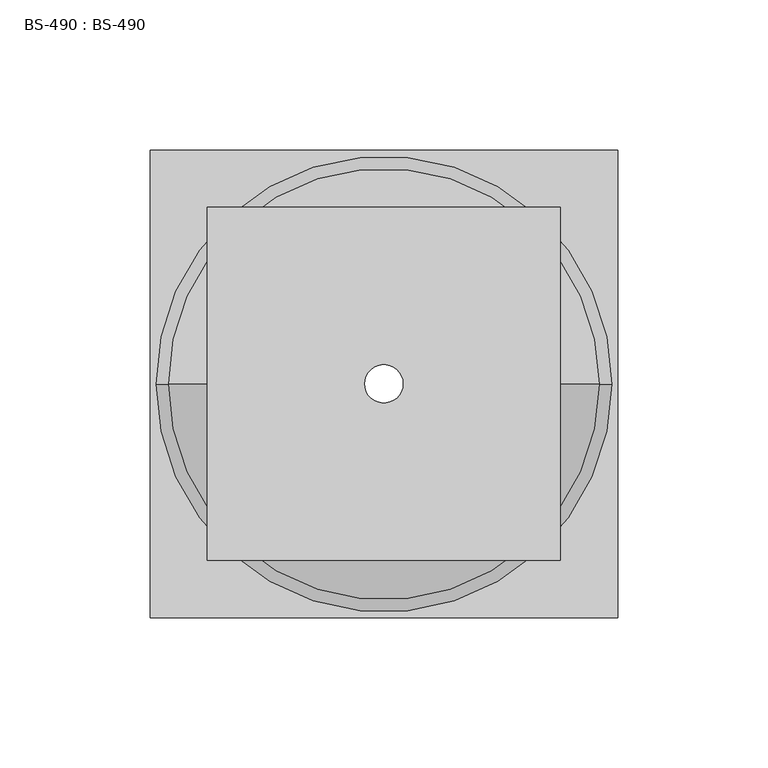
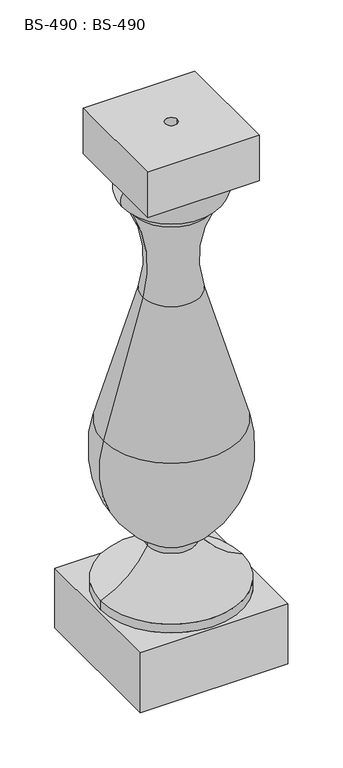
"""IFC4 building model written with IfcOpenShell, lengths in millimetres: proxy geometry, BS-490 : BS-490."""

from ifc_helpers import new_model, si_unit, point, frame, origin, origin_with_axes, place, context, project, spatial, polyline, circle_curve, ellipse_curve, trimmed, source, transform, mapped, element, save
from ifc_brep_helpers import plane_surface, cylinder_surface, revolved_surface, advanced_brep


def bs_490_bs_490_fff0fca8(model_context):
    return source(origin(), model_context, "Body", "AdvancedBrep", [
        advanced_brep(
        [(41.275, 0.0, 533.4), (41.275, 0.0, 527.05), (-41.275, 0.0, 527.05), (-41.275, 0.0, 533.4), (-74.6125, 0.0, 76.2), (74.6125, 0.0, 76.2), (74.6125, 0.0, 66.675), (-74.6125, 0.0, 66.675), (-25.4, 0.0, 120.65), (25.4, 0.0, 120.65), (-25.4, 0.0, 127.0), (25.4, 0.0, 127.0), (-71.8080605, 0.0, 253.4189768), (71.8080605, 0.0, 253.4189768), (-30.264583, 0.0, 398.9207629), (30.264583, 0.0, 398.9207629), (-41.275, 0.0, 495.3), (41.275, 0.0, 495.3), (-41.275, 0.0, 501.65), (41.275, 0.0, 501.65), (-77.7875, -77.7875, 66.675), (-77.7875, -77.7875, 0.0), (77.7875, -77.7875, 0.0), (77.7875, -77.7875, 66.675), (-77.7875, 77.7875, 66.675), (77.7875, 77.7875, 66.675), (77.7875, 77.7875, 0.0), (-77.7875, 77.7875, 0.0), (-6.35, 0.0, 0.0), (6.35, 0.0, 0.0), (-58.7375, -58.7375, 584.2), (-58.7375, -58.7375, 533.4), (58.7375, -58.7375, 533.4), (58.7375, -58.7375, 584.2), (-58.7375, 58.7375, 584.2), (58.7375, 58.7375, 584.2), (58.7375, 58.7375, 533.4), (-58.7375, 58.7375, 533.4), (6.35, 0.0, 584.2), (-6.35, 0.0, 584.2)],
        [
            (0, 1),
            (1, 2, circle_curve(frame((0.0, 0.0, 527.05), z_axis=(0.0, 0.0, 1.0), x_axis=(1.0, 0.0, 0.0)), 41.275)),
            (2, 3),
            (3, 0, circle_curve(frame((0.0, 0.0, 533.4), z_axis=(0.0, 0.0, -1.0), x_axis=(1.0, 0.0, 0.0)), 41.275)),
            (0, 3, circle_curve(frame((0.0, 0.0, 533.4), z_axis=(0.0, 0.0, -1.0), x_axis=(1.0, 0.0, 0.0)), 41.275)),
            (2, 1, circle_curve(frame((0.0, 0.0, 527.05), z_axis=(0.0, 0.0, 1.0), x_axis=(1.0, 0.0, 0.0)), 41.275)),
            (4, 5, circle_curve(frame((0.0, 0.0, 76.2), z_axis=(0.0, 0.0, -1.0), x_axis=(1.0, 0.0, 0.0)), 74.6125)),
            (5, 6),
            (6, 7, circle_curve(frame((0.0, 0.0, 66.675), z_axis=(0.0, 0.0, 1.0), x_axis=(1.0, 0.0, 0.0)), 74.6125)),
            (7, 4),
            (5, 4, circle_curve(frame((0.0, 0.0, 76.2), z_axis=(0.0, 0.0, -1.0), x_axis=(1.0, 0.0, 0.0)), 74.6125)),
            (7, 6, circle_curve(frame((0.0, 0.0, 66.675), z_axis=(0.0, 0.0, 1.0), x_axis=(1.0, 0.0, 0.0)), 74.6125)),
            (4, 8, circle_curve(frame((-111.9343813, 0.0, 166.9882882), z_axis=(0.0, -1.0, 0.0), x_axis=(-1.0, 0.0, 0.0)), 98.1602572)),
            (8, 9, circle_curve(frame((0.0, 0.0, 120.65), z_axis=(0.0, 0.0, -1.0), x_axis=(1.0, 0.0, 0.0)), 25.4)),
            (9, 5, circle_curve(frame((111.9343813, 0.0, 166.9882882), z_axis=(0.0, -1.0, 0.0), x_axis=(1.0, 0.0, 0.0)), 98.1602572)),
            (9, 8, circle_curve(frame((0.0, 0.0, 120.65), z_axis=(0.0, 0.0, -1.0), x_axis=(1.0, 0.0, 0.0)), 25.4)),
            (8, 10),
            (10, 11, circle_curve(frame((0.0, 0.0, 127.0), z_axis=(0.0, 0.0, -1.0), x_axis=(1.0, 0.0, 0.0)), 25.4)),
            (11, 9),
            (11, 10, circle_curve(frame((0.0, 0.0, 127.0), z_axis=(0.0, 0.0, -1.0), x_axis=(1.0, 0.0, 0.0)), 25.4)),
            (10, 12, circle_curve(frame((38.0998038, 0.0, 222.0382287), z_axis=(0.0, 1.0, 0.0), x_axis=(-1.0, 0.0, 0.0)), 114.3)),
            (12, 13, circle_curve(frame((0.0, 0.0, 253.4189768), z_axis=(0.0, 0.0, -1.0), x_axis=(1.0, 0.0, 0.0)), 71.8080605)),
            (13, 11, circle_curve(frame((-38.0998038, 0.0, 222.0382287), z_axis=(0.0, 1.0, 0.0), x_axis=(1.0, 0.0, 0.0)), 114.3)),
            (13, 12, circle_curve(frame((0.0, 0.0, 253.4189768), z_axis=(0.0, 0.0, -1.0), x_axis=(1.0, 0.0, 0.0)), 71.8080605)),
            (12, 14),
            (14, 15, circle_curve(frame((0.0, 0.0, 398.9207629), z_axis=(0.0, 0.0, -1.0), x_axis=(1.0, 0.0, 0.0)), 30.264583)),
            (15, 13),
            (15, 14, circle_curve(frame((0.0, 0.0, 398.9207629), z_axis=(0.0, 0.0, -1.0), x_axis=(1.0, 0.0, 0.0)), 30.264583)),
            (14, 16, circle_curve(frame((-152.3844323, 0.0, 433.7882608), z_axis=(0.0, -1.0, 0.0), x_axis=(-1.0, 0.0, 0.0)), 127.0)),
            (16, 17, circle_curve(frame((0.0, 0.0, 495.3), z_axis=(0.0, 0.0, -1.0), x_axis=(1.0, 0.0, 0.0)), 41.275)),
            (17, 15, circle_curve(frame((152.3844323, 0.0, 433.7882608), z_axis=(0.0, -1.0, 0.0), x_axis=(1.0, 0.0, 0.0)), 127.0)),
            (17, 16, circle_curve(frame((0.0, 0.0, 495.3), z_axis=(0.0, 0.0, -1.0), x_axis=(1.0, 0.0, 0.0)), 41.275)),
            (16, 18),
            (18, 19, circle_curve(frame((0.0, 0.0, 501.65), z_axis=(0.0, 0.0, -1.0), x_axis=(1.0, 0.0, 0.0)), 41.275)),
            (19, 17),
            (19, 18, circle_curve(frame((0.0, 0.0, 501.65), z_axis=(0.0, 0.0, -1.0), x_axis=(1.0, 0.0, 0.0)), 41.275)),
            (1, 19, circle_curve(frame((41.275, 0.0, 514.35), z_axis=(0.0, 1.0, 0.0), x_axis=(1.0, 0.0, 0.0)), 12.7)),
            (18, 2, circle_curve(frame((-41.275, 0.0, 514.35), z_axis=(0.0, 1.0, 0.0), x_axis=(-1.0, 0.0, 0.0)), 12.7)),
            (20, 21),
            (21, 22),
            (22, 23),
            (23, 20),
            (24, 25),
            (25, 26),
            (26, 27),
            (27, 24),
            (20, 24),
            (27, 21),
            (26, 22),
            (28, 29, circle_curve(origin_with_axes(), 6.35)),
            (29, 28, circle_curve(origin_with_axes(), 6.35)),
            (25, 23),
            (30, 31),
            (31, 32),
            (32, 33),
            (33, 30),
            (34, 35),
            (35, 36),
            (36, 37),
            (37, 34),
            (30, 34),
            (37, 31),
            (36, 32),
            (35, 33),
            (38, 39, circle_curve(frame((0.0, 0.0, 584.2), z_axis=(0.0, 0.0, -1.0), x_axis=(1.0, 0.0, 0.0)), 6.35)),
            (39, 38, circle_curve(frame((0.0, 0.0, 584.2), z_axis=(0.0, 0.0, -1.0), x_axis=(1.0, 0.0, 0.0)), 6.35)),
            (38, 29),
            (28, 39),
        ],
        [
            cylinder_surface(frame((0.0, 0.0, 584.2), z_axis=(0.0, 0.0, 1.0), x_axis=(1.0, 0.0, 0.0)), 41.275),
            cylinder_surface(frame((0.0, 0.0, 584.2), z_axis=(0.0, 0.0, 1.0), x_axis=(1.0, 0.0, 0.0)), 74.6125),
            revolved_surface(trimmed(ellipse_curve(frame((111.9343813, 0.0, 166.9882882), z_axis=(0.0, 1.0, 0.0), x_axis=(1.0, 0.0, 0.0)), 98.1602572, 98.1602572), [point((74.6125, 0.0, 76.2))], [point((25.4, 0.0, 120.65))], True, "CARTESIAN"), (0.0, 0.0, 584.2), (0.0, 0.0, 1.0)),
            cylinder_surface(frame((0.0, 0.0, 584.2), z_axis=(0.0, 0.0, 1.0), x_axis=(1.0, 0.0, 0.0)), 25.4),
            revolved_surface(trimmed(ellipse_curve(frame((-38.0998038, 0.0, 222.0382287), z_axis=(0.0, -1.0, 0.0), x_axis=(1.0, 0.0, 0.0)), 114.3, 114.3), [point((25.4, 0.0, 127.0))], [point((71.8080605, 0.0, 253.4189768))], True, "CARTESIAN"), (0.0, 0.0, 584.2), (0.0, 0.0, 1.0)),
            revolved_surface(polyline([(71.8080605, 0.0, 253.4189768), (30.264583, 0.0, 398.9207629)]), (0.0, 0.0, 584.2), (0.0, 0.0, 1.0)),
            revolved_surface(trimmed(ellipse_curve(frame((152.3844323, 0.0, 433.7882608), z_axis=(0.0, 1.0, 0.0), x_axis=(1.0, 0.0, 0.0)), 127.0, 127.0), [point((30.264583, 0.0, 398.9207629))], [point((41.275, 0.0, 495.3))], True, "CARTESIAN"), (0.0, 0.0, 584.2), (0.0, 0.0, 1.0)),
            revolved_surface(trimmed(ellipse_curve(frame((41.275, 0.0, 514.35), z_axis=(0.0, -1.0, 0.0), x_axis=(1.0, 0.0, 0.0)), 12.7, 12.7), [point((41.275, 0.0, 501.65))], [point((41.275, 0.0, 527.05))], True, "CARTESIAN"), (0.0, 0.0, 584.2), (0.0, 0.0, 1.0)),
            plane_surface(frame((-77.7875, -77.7875, 0.0), z_axis=(0.0, -1.0, 0.0), x_axis=(0.0, 0.0, -1.0))),
            plane_surface(frame((-77.7875, 77.7875, 0.0), z_axis=(0.0, 1.0, 0.0), x_axis=(0.0, 0.0, 1.0))),
            plane_surface(frame((-77.7875, -77.7875, 66.675), z_axis=(-1.0, 0.0, 0.0), x_axis=(0.0, 1.0, 0.0))),
            plane_surface(frame((-77.7875, -77.7875, 0.0), z_axis=(0.0, 0.0, -1.0), x_axis=(0.0, 1.0, 0.0))),
            plane_surface(frame((77.7875, -77.7875, 0.0), z_axis=(1.0, 0.0, 0.0), x_axis=(0.0, 1.0, 0.0))),
            plane_surface(frame((77.7875, -77.7875, 66.675), z_axis=(0.0, 0.0, 1.0), x_axis=(0.0, 1.0, 0.0))),
            plane_surface(frame((-58.7375, -58.7375, 517.525), z_axis=(0.0, -1.0, 0.0), x_axis=(0.0, 0.0, -1.0))),
            plane_surface(frame((-58.7375, 58.7375, 517.525), z_axis=(0.0, 1.0, 0.0), x_axis=(0.0, 0.0, 1.0))),
            plane_surface(frame((-58.7375, -58.7375, 584.2), z_axis=(-1.0, 0.0, 0.0), x_axis=(0.0, 1.0, 0.0))),
            plane_surface(frame((-58.7375, -58.7375, 533.4), z_axis=(0.0, 0.0, -1.0), x_axis=(0.0, 1.0, 0.0))),
            plane_surface(frame((58.7375, -58.7375, 533.4), z_axis=(1.0, 0.0, 0.0), x_axis=(0.0, 1.0, 0.0))),
            plane_surface(frame((58.7375, -58.7375, 584.2), z_axis=(0.0, 0.0, 1.0), x_axis=(0.0, 1.0, 0.0))),
            revolved_surface(polyline([(6.35, 0.0, 584.2), (6.35, 0.0, 0.0)]), (0.0, 0.0, 0.0), (0.0, 0.0, 1.0)),
        ],
        [
            (0, [[1, 2, 3, 4]]),
            (0, [[-1, 5, -3, 6]]),
            (1, [[7, 8, 9, 10]]),
            (1, [[-8, 11, -10, 12]]),
            (2, [[-7, 13, 14, 15]]),
            (2, [[-11, -15, 16, -13]]),
            (3, [[-14, 17, 18, 19]]),
            (3, [[-16, -19, 20, -17]]),
            (4, [[-18, 21, 22, 23]]),
            (4, [[-20, -23, 24, -21]]),
            (5, [[-22, 25, 26, 27]]),
            (5, [[-24, -27, 28, -25]]),
            (6, [[-26, 29, 30, 31]]),
            (6, [[-28, -31, 32, -29]]),
            (0, [[-30, 33, 34, 35]]),
            (0, [[-32, -35, 36, -33]]),
            (7, [[-2, 37, -34, 38]]),
            (7, [[-6, -38, -36, -37]]),
            (8, [[39, 40, 41, 42]]),
            (9, [[43, 44, 45, 46]]),
            (10, [[-39, 47, -46, 48]]),
            (11, [[-40, -48, -45, 49], [50, 51]]),
            (12, [[-41, -49, -44, 52]]),
            (13, [[-42, -52, -43, -47], [-9, -12]]),
            (14, [[53, 54, 55, 56]]),
            (15, [[57, 58, 59, 60]]),
            (16, [[-53, 61, -60, 62]]),
            (17, [[-54, -62, -59, 63], [-4, -5]]),
            (18, [[-55, -63, -58, 64]]),
            (19, [[-56, -64, -57, -61], [65, 66]]),
            (20, [[67, -50, 68, -65]]),
            (20, [[-67, -66, -68, -51]]),
        ],
    ),
    ])


if __name__ == "__main__":
    model = new_model("IFC4")
    model_context = context("Model", 3, world=origin())
    ifc_project = project(units=[si_unit("LENGTHUNIT", "METRE", prefix="MILLI")], contexts=[model_context])
    site = spatial("IfcSite", under=ifc_project)
    building = spatial("IfcBuilding", under=site)
    placement = place(None, origin())
    bs_490_bs_490_shape = bs_490_bs_490_fff0fca8(model_context)
    element("IfcBuildingElementProxy", 1, Name="BS-490 : BS-490", ObjectType="BS-490 : BS-490", at=placement, inside=building, context=model_context, shape_type="MappedRepresentation", body=[
        mapped(bs_490_bs_490_shape, transform((0.0, 0.0, 0.0), x_axis=(1.0, 0.0, 0.0), y_axis=(0.0, 1.0, 0.0), z_axis=(0.0, 0.0, 1.0))),
    ])
    save(model, "model.ifc")
